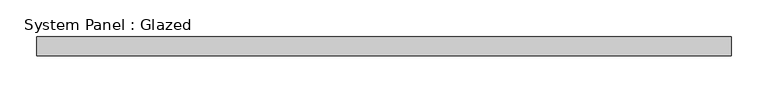
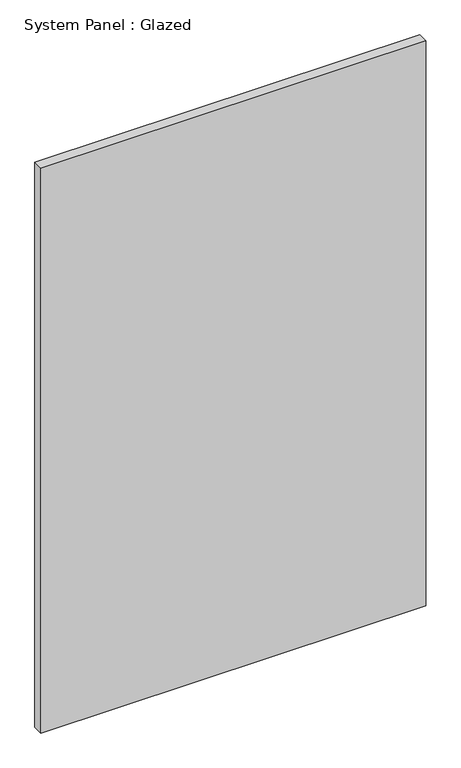
"""IFC4 building model written with IfcOpenShell, lengths in millimetres: plate geometry, System Panel : Glazed."""

import ifcopenshell
import ifcopenshell.guid

model = None  # the IFC model being written
_history = None  # IfcOwnerHistory: only IFC2X3 demands one
_inside = {}  # id of a spatial element -> (the spatial element, [elements in it])
_under = {}  # id of a project, library or spatial element -> (it, [spatial elements below it])
_declared = {}  # id of a project -> (the project, [libraries it declares])
_typed = {}  # id of a type object -> (the type object, [elements of that type])
_made_of = {}  # id of a material, layer set ... -> (it, [elements and type objects made of it])


def new_model(schema):
    """Start an empty IFC model of exactly this schema.

    Asked for "IFC4X3", IfcOpenShell would pick the latest addendum, in which some entities
    have other attributes; the version numbers below select the first issue.
    IFC2X3 requires an IfcOwnerHistory on every rooted entity: one is made here for all.
    """
    global model, _history
    if schema == "IFC4X3":
        model = ifcopenshell.file(schema_version=(4, 3, 0, 0))
    else:
        model = ifcopenshell.file(schema=schema)
    _inside.clear()
    _under.clear()
    _declared.clear()
    _typed.clear()
    _made_of.clear()
    _history = None
    if model.schema == "IFC2X3":
        org = make("IfcOrganization", Name="unknown")
        user = make(
            "IfcPersonAndOrganization",
            ThePerson=make("IfcPerson", FamilyName="unknown"),
            TheOrganization=org,
        )
        app = make(
            "IfcApplication",
            ApplicationDeveloper=org,
            Version="unknown",
            ApplicationFullName="unknown",
            ApplicationIdentifier="unknown",
        )
        _history = make(
            "IfcOwnerHistory",
            OwningUser=user,
            OwningApplication=app,
            ChangeAction="ADDED",
            CreationDate=0,
        )
    return model


def make(cls, **values):
    """One entity of the class cls with the attributes given. An attribute that is None is left unset."""
    return model.create_entity(
        cls, **{name: value for name, value in values.items() if value is not None}
    )


def rooted(cls, **values):
    """An entity with a GlobalId (a new one), such as an element, a storey or a relation."""
    return make(cls, GlobalId=ifcopenshell.guid.new(), OwnerHistory=_history, **values)


def si_unit(unit_type, name, prefix=None):
    """IfcSIUnit, for example si_unit("LENGTHUNIT", "METRE", prefix="MILLI")."""
    return make("IfcSIUnit", UnitType=unit_type, Prefix=prefix, Name=name)


def assignment(units):
    """IfcUnitAssignment: the units of a project."""
    return None if units is None else make("IfcUnitAssignment", Units=units)


def point(xyz):
    """IfcCartesianPoint."""
    return None if xyz is None else make("IfcCartesianPoint", Coordinates=xyz)


def direction(xyz):
    """IfcDirection."""
    return None if xyz is None else make("IfcDirection", DirectionRatios=xyz)


def frame(location, z_axis=None, x_axis=None):
    """IfcAxis2Placement3D, a coordinate frame: its origin and axes. An axis left out is left unset."""
    return make(
        "IfcAxis2Placement3D",
        Location=point(location),
        Axis=direction(z_axis),
        RefDirection=direction(x_axis),
    )


def origin():
    """The frame at (0, 0, 0) with its axes left unset."""
    return frame((0.0, 0.0, 0.0))


def origin_with_axes():
    """The frame at (0, 0, 0) with the z axis (0, 0, 1) and the x axis (1, 0, 0) written out."""
    return frame((0.0, 0.0, 0.0), z_axis=(0.0, 0.0, 1.0), x_axis=(1.0, 0.0, 0.0))


def place(relative_to, where):
    """IfcLocalPlacement: puts the frame where relative to a parent placement (None: the world)."""
    return make(
        "IfcLocalPlacement", PlacementRelTo=relative_to, RelativePlacement=where
    )


def context(
    kind, dimensions, precision=None, world=None, true_north=None, identifier=None
):
    """IfcGeometricRepresentationContext, for example the 3D "Model" context."""
    return make(
        "IfcGeometricRepresentationContext",
        ContextIdentifier=identifier,
        ContextType=kind,
        CoordinateSpaceDimension=dimensions,
        Precision=precision,
        WorldCoordinateSystem=world,
        TrueNorth=true_north,
    )


def project(units=None, contexts=None):
    """IfcProject with its units and contexts."""
    return rooted(
        "IfcProject",
        Name="project",
        RepresentationContexts=contexts,
        UnitsInContext=assignment(units),
    )


def spatial(cls, under=None, at=None, **own):
    """A site, building, storey or space (cls), placed at a placement, below another one or the project."""
    s = rooted(cls, ObjectPlacement=at, **own)
    if under is not None:
        _under.setdefault(under.id(), (under, []))[1].append(s)
    return s


def polyline(points):
    """IfcPolyline through the points."""
    return make("IfcPolyline", Points=[point(p) for p in points])


def outline(outer, holes=None, kind="AREA"):
    """IfcArbitraryClosedProfileDef: a profile drawn as a closed curve; with holes, ...WithVoids."""
    if holes is None:
        return make("IfcArbitraryClosedProfileDef", ProfileType=kind, OuterCurve=outer)
    return make(
        "IfcArbitraryProfileDefWithVoids",
        ProfileType=kind,
        OuterCurve=outer,
        InnerCurves=holes,
    )


def extrude(swept, where, along, depth):
    """IfcExtrudedAreaSolid: the profile swept, set in the frame where, extruded along a direction by depth."""
    return make(
        "IfcExtrudedAreaSolid",
        SweptArea=swept,
        Position=where,
        ExtrudedDirection=direction(along),
        Depth=depth,
    )


def shape(context_of_items, identifier, shape_type, items):
    """IfcShapeRepresentation: the items that make up one representation, for example the "Body"."""
    return make(
        "IfcShapeRepresentation",
        ContextOfItems=context_of_items,
        RepresentationIdentifier=identifier,
        RepresentationType=shape_type,
        Items=items,
    )


def source(mapping_origin, context_of_items, identifier, shape_type, items):
    """IfcRepresentationMap: a shape defined once, which mapped items show again and again."""
    return make(
        "IfcRepresentationMap",
        MappingOrigin=mapping_origin,
        MappedRepresentation=shape(context_of_items, identifier, shape_type, items),
    )


def transform(
    local_origin,
    x_axis=None,
    y_axis=None,
    z_axis=None,
    scale=None,
    scale2=None,
    scale3=None,
    uniform=True,
):
    """IfcCartesianTransformationOperator3D, or its non-uniform kind. x_axis, y_axis, z_axis: its Axis1, 2, 3."""
    if uniform:
        return make(
            "IfcCartesianTransformationOperator3D",
            Axis1=direction(x_axis),
            Axis2=direction(y_axis),
            LocalOrigin=point(local_origin),
            Scale=scale,
            Axis3=direction(z_axis),
        )
    return make(
        "IfcCartesianTransformationOperator3DnonUniform",
        Axis1=direction(x_axis),
        Axis2=direction(y_axis),
        LocalOrigin=point(local_origin),
        Scale=scale,
        Axis3=direction(z_axis),
        Scale2=scale2,
        Scale3=scale3,
    )


def mapped(mapping_source, mapping_target):
    """IfcMappedItem: shows the shape of a source again, moved by a transform."""
    return make(
        "IfcMappedItem", MappingSource=mapping_source, MappingTarget=mapping_target
    )


def made_of(thing, what):
    """Note that an element or type object is made of a material, layer set ...; save() writes the relation."""
    if what is not None:
        _made_of.setdefault(what.id(), (what, []))[1].append(thing)
    return thing


def element(
    cls,
    number,
    at=None,
    inside=None,
    cuts=None,
    type_object=None,
    material=None,
    context=None,
    identifier="Body",
    shape_type=None,
    held_by="IfcProductDefinitionShape",
    body=None,
    shapes=None,
    **own,
):
    """One element of the class cls, such as IfcWall. Its Tag is "e" and its number.

    at: its placement. inside: the storey or other place that contains it. cuts: it is an
    opening in that element (IfcRelVoidsElement). A single representation is given by context,
    identifier, shape_type and body (its items); several are given by shapes. held_by: the class
    of the entity that holds the representations. save() writes the other relations.
    """
    e = rooted(cls, Tag="e%d" % number, ObjectPlacement=at, **own)
    if body is not None:
        shapes = [shape(context, identifier, shape_type, body)]
    if shapes is not None:
        e.Representation = make(held_by, Representations=shapes)
    if inside is not None:
        _inside.setdefault(inside.id(), (inside, []))[1].append(e)
    if cuts is not None:
        rooted(
            "IfcRelVoidsElement", RelatingBuildingElement=cuts, RelatedOpeningElement=e
        )
    if type_object is not None:
        _typed.setdefault(type_object.id(), (type_object, []))[1].append(e)
    return made_of(e, material)


def aggregate(whole, parts):
    """IfcRelAggregates: a whole, such as a stair, and the parts it consists of."""
    return rooted("IfcRelAggregates", RelatingObject=whole, RelatedObjects=parts)


def save(model, path):
    """Write the relations noted so far, then the file.

    IfcRelAggregates (storeys below a building ...), IfcRelContainedInSpatialStructure (elements
    in a storey), IfcRelDefinesByType, IfcRelAssociatesMaterial and IfcRelDeclares: one each for
    every whole, place, type object, material and project.
    """
    for whole, parts in _under.values():
        aggregate(whole, parts)
    for where, things in _inside.values():
        rooted(
            "IfcRelContainedInSpatialStructure",
            RelatedElements=things,
            RelatingStructure=where,
        )
    for kind, things in _typed.values():
        rooted("IfcRelDefinesByType", RelatedObjects=things, RelatingType=kind)
    for what, things in _made_of.values():
        rooted("IfcRelAssociatesMaterial", RelatedObjects=things, RelatingMaterial=what)
    for by, libraries in _declared.values():
        rooted("IfcRelDeclares", RelatingContext=by, RelatedDefinitions=libraries)
    model.write(path)


def system_panel_glazed_5a9b65c0(model_context):
    return source(origin(), model_context, "Body", "SweptSolid", [
        extrude(outline(polyline([(470.67292, -44.45), (-470.67292, -44.45), (-470.67292, -19.05), (470.67292, -19.05), (470.67292, -44.45)])), origin_with_axes(), (0.0, 0.0, 1.0), 1460.5),
    ])


if __name__ == "__main__":
    model = new_model("IFC4")
    model_context = context("Model", 3, world=origin())
    ifc_project = project(units=[si_unit("LENGTHUNIT", "METRE", prefix="MILLI")], contexts=[model_context])
    site = spatial("IfcSite", under=ifc_project)
    building = spatial("IfcBuilding", under=site)
    placement = place(None, origin())
    system_panel_glazed_shape = system_panel_glazed_5a9b65c0(model_context)
    element("IfcPlate", 1, ObjectType="System Panel : Glazed", at=placement, inside=building, context=model_context, shape_type="MappedRepresentation", body=[
        mapped(system_panel_glazed_shape, transform((0.0, 0.0, 0.0), x_axis=(1.0, 0.0, 0.0), y_axis=(0.0, 1.0, 0.0), z_axis=(0.0, 0.0, 1.0))),
    ])
    save(model, "model.ifc")
